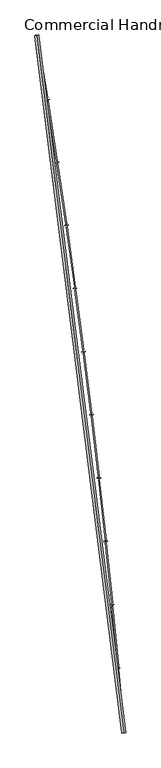
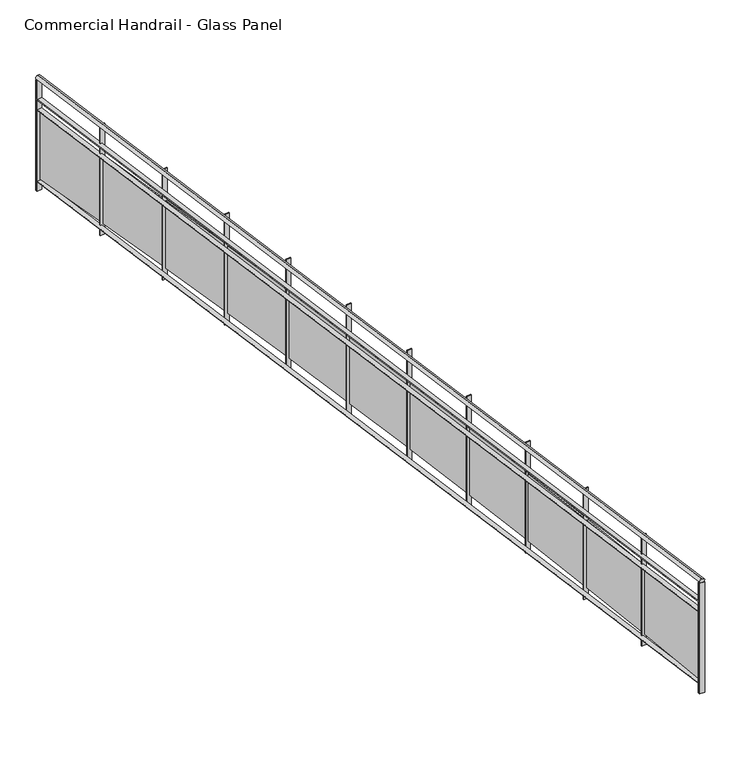
"""IFC4 building model written with IfcOpenShell, lengths in millimetres: railing geometry, Commercial Handrail - Glass Panel."""

from ifc_helpers import new_model, si_unit, point, frame, origin, place, context, project, spatial, polyline, circle_curve, ellipse_curve, trimmed, outline, extrude, source, transform, mapped, element, save
from ifc_brep_helpers import plane_surface, cylinder_surface, revolved_surface, advanced_brep


def commercial_handrail_glass_panel_10a3faca(model_context):
    return source(origin(), model_context, "Body", "SolidModel", [
        advanced_brep(
        [(155415.1518736, -49813.1101198, 29882.5), (156507.3198577, -58575.9102119, 29882.5), (156507.3198577, -58575.9102119, 29917.5), (155415.1518736, -49813.1101198, 29917.5)],
        [
            (0, 1, circle_curve(frame((49774.785812, -67429.2570352, 29882.5), z_axis=(0.0, 0.0, -1.0), x_axis=(0.9965773914870409, 0.08266500333808188, 0.0)), 107099.0923108)),
            (1, 2, ellipse_curve(frame((156507.3198577, -58575.9102119, 29900.0), z_axis=(-0.08266500333808835, 0.9965773914870406, 0.0), x_axis=(0.9965773914870404, 0.08266500333808834, 0.0)), 25.0, 17.5)),
            (2, 3, circle_curve(frame((49774.785812, -67429.2570352, 29917.5), z_axis=(0.0, 0.0, 1.0), x_axis=(0.9965773914870409, 0.08266500333808188, 0.0)), 107099.0923108)),
            (3, 0, ellipse_curve(frame((155415.1518736, -49813.1101198, 29900.0), z_axis=(0.16448455850891983, -0.9863796581500077, 0.0), x_axis=(0.9863796581500075, 0.1644845585089198, 0.0)), 25.0, 17.5)),
            (2, 1, ellipse_curve(frame((156507.3198577, -58575.9102119, 29900.0), z_axis=(-0.08266500333808835, 0.9965773914870406, 0.0), x_axis=(0.9965773914870404, 0.08266500333808834, 0.0)), 25.0, 17.5)),
            (0, 3, ellipse_curve(frame((155415.1518736, -49813.1101198, 29900.0), z_axis=(0.16448455850891983, -0.9863796581500077, 0.0), x_axis=(0.9863796581500075, 0.1644845585089198, 0.0)), 25.0, 17.5)),
        ],
        [
            revolved_surface(trimmed(ellipse_curve(frame((156507.3198577, -58575.9102119, 29900.0), z_axis=(0.08266500333808188, -0.9965773914870409, 0.0), x_axis=(0.0, 0.0, -1.0)), 17.5, 25.0), [point((156507.3198577, -58575.9102119, 29917.5))], [point((156507.3198577, -58575.9102119, 29882.5))], True, "CARTESIAN"), (49774.785812, -67429.2570352, 29900.0), (0.0, 0.0, 1.0)),
            revolved_surface(trimmed(ellipse_curve(frame((156507.3198577, -58575.9102119, 29900.0), z_axis=(0.08266500333808188, -0.9965773914870409, 0.0), x_axis=(0.0, 0.0, -1.0)), 17.5, 25.0), [point((156507.3198577, -58575.9102119, 29882.5))], [point((156507.3198577, -58575.9102119, 29917.5))], True, "CARTESIAN"), (49774.785812, -67429.2570352, 29900.0), (0.0, 0.0, 1.0)),
            plane_surface(frame((156507.3198577, -58575.9102119, 29900.0), z_axis=(0.08266500333808188, -0.9965773914870409, 0.0), x_axis=(0.9965773914870409, 0.08266500333808188, 0.0))),
            plane_surface(frame((155415.1518736, -49813.1101198, 29900.0), z_axis=(-0.16448455850891983, 0.9863796581500076, 0.0), x_axis=(0.9863796581500076, 0.16448455850891983, 0.0))),
        ],
        [
            (0, [[1, 2, 3, 4]]),
            (1, [[-3, 5, -1, 6]]),
            (2, [[-2, -5]]),
            (3, [[-6, -4]]),
        ],
    ),
        advanced_brep(
        [(155392.9583313, -49816.8110224, 29700.0), (156484.8968663, -58577.7701744, 29700.0), (156529.742849, -58574.0502493, 29700.0), (155437.3454159, -49809.4092172, 29700.0), (155392.9583313, -49816.8110224, 29694.0), (156484.8968663, -58577.7701744, 29694.0), (155437.3454159, -49809.4092172, 29694.0), (156529.742849, -58574.0502493, 29694.0)],
        [
            (0, 1, circle_curve(frame((49774.785812, -67429.2570352, 29700.0), z_axis=(0.0, 0.0, -1.0), x_axis=(0.9965773914870409, 0.08266500333808188, 0.0)), 107076.5923108)),
            (1, 2),
            (2, 3, circle_curve(frame((49774.785812, -67429.2570352, 29700.0), z_axis=(0.0, 0.0, 1.0), x_axis=(0.9965773914870409, 0.08266500333808188, 0.0)), 107121.5923108)),
            (3, 0),
            (4, 5, circle_curve(frame((49774.785812, -67429.2570352, 29694.0), z_axis=(0.0, 0.0, -1.0), x_axis=(0.9965773914870409, 0.08266500333808188, 0.0)), 107076.5923108)),
            (5, 1),
            (0, 4),
            (6, 7, circle_curve(frame((49774.785812, -67429.2570352, 29694.0), z_axis=(0.0, 0.0, -1.0), x_axis=(0.9965773914870409, 0.08266500333808188, 0.0)), 107121.5923108)),
            (7, 5),
            (4, 6),
            (2, 7),
            (6, 3),
        ],
        [
            plane_surface(frame((49774.785812, -67429.2570352, 29700.0), z_axis=(0.0, 0.0, 1.0), x_axis=(0.9965773914870409, 0.08266500333808188, 0.0))),
            revolved_surface(polyline([(156484.89686641842, -58577.77017439729, 29700.0), (156484.89686641842, -58577.77017439729, 29694.0)]), (49774.785812, -67429.2570352, 29700.0), (0.0, 0.0, 1.0)),
            plane_surface(frame((49774.785812, -67429.2570352, 29694.0), z_axis=(0.0, 0.0, -1.0), x_axis=(0.9965773914870409, 0.08266500333808188, 0.0))),
            cylinder_surface(frame((49774.785812, -67429.2570352, 29700.0), z_axis=(0.0, 0.0, 1.0), x_axis=(0.9965773914870409, 0.08266500333808188, 0.0)), 107121.5923108),
            plane_surface(frame((156507.3198577, -58575.9102119, 29700.0), z_axis=(0.08266500333808188, -0.9965773914870409, 0.0), x_axis=(0.9965773914870409, 0.08266500333808188, 0.0))),
            plane_surface(frame((155415.1518736, -49813.1101198, 29700.0), z_axis=(-0.16448455850891983, 0.9863796581500076, 0.0), x_axis=(0.9863796581500076, 0.16448455850891983, 0.0))),
        ],
        [
            (0, [[1, 2, 3, 4]]),
            (1, [[5, 6, -1, 7]]),
            (2, [[8, 9, -5, 10]]),
            (3, [[-3, 11, -8, 12]]),
            (4, [[-2, -6, -9, -11]]),
            (5, [[-12, -10, -7, -4]]),
        ],
    ),
        advanced_brep(
        [(155392.9583313, -49816.8110224, 29600.0), (156484.8968663, -58577.7701744, 29600.0), (156529.742849, -58574.0502493, 29600.0), (155437.3454159, -49809.4092172, 29600.0), (155392.9583313, -49816.8110224, 29594.0), (156484.8968663, -58577.7701744, 29594.0), (155437.3454159, -49809.4092172, 29594.0), (156529.742849, -58574.0502493, 29594.0)],
        [
            (0, 1, circle_curve(frame((49774.785812, -67429.2570352, 29600.0), z_axis=(0.0, 0.0, -1.0), x_axis=(0.9965773914870409, 0.08266500333808188, 0.0)), 107076.5923108)),
            (1, 2),
            (2, 3, circle_curve(frame((49774.785812, -67429.2570352, 29600.0), z_axis=(0.0, 0.0, 1.0), x_axis=(0.9965773914870409, 0.08266500333808188, 0.0)), 107121.5923108)),
            (3, 0),
            (4, 5, circle_curve(frame((49774.785812, -67429.2570352, 29594.0), z_axis=(0.0, 0.0, -1.0), x_axis=(0.9965773914870409, 0.08266500333808188, 0.0)), 107076.5923108)),
            (5, 1),
            (0, 4),
            (6, 7, circle_curve(frame((49774.785812, -67429.2570352, 29594.0), z_axis=(0.0, 0.0, -1.0), x_axis=(0.9965773914870409, 0.08266500333808188, 0.0)), 107121.5923108)),
            (7, 5),
            (4, 6),
            (2, 7),
            (6, 3),
        ],
        [
            plane_surface(frame((49774.785812, -67429.2570352, 29600.0), z_axis=(0.0, 0.0, 1.0), x_axis=(0.9965773914870409, 0.08266500333808188, 0.0))),
            revolved_surface(polyline([(156484.89686641842, -58577.77017439729, 29600.0), (156484.89686641842, -58577.77017439729, 29594.0)]), (49774.785812, -67429.2570352, 29600.0), (0.0, 0.0, 1.0)),
            plane_surface(frame((49774.785812, -67429.2570352, 29594.0), z_axis=(0.0, 0.0, -1.0), x_axis=(0.9965773914870409, 0.08266500333808188, 0.0))),
            cylinder_surface(frame((49774.785812, -67429.2570352, 29600.0), z_axis=(0.0, 0.0, 1.0), x_axis=(0.9965773914870409, 0.08266500333808188, 0.0)), 107121.5923108),
            plane_surface(frame((156507.3198577, -58575.9102119, 29600.0), z_axis=(0.08266500333808188, -0.9965773914870409, 0.0), x_axis=(0.9965773914870409, 0.08266500333808188, 0.0))),
            plane_surface(frame((155415.1518736, -49813.1101198, 29600.0), z_axis=(-0.16448455850891983, 0.9863796581500076, 0.0), x_axis=(0.9863796581500076, 0.16448455850891983, 0.0))),
        ],
        [
            (0, [[1, 2, 3, 4]]),
            (1, [[5, 6, -1, 7]]),
            (2, [[8, 9, -5, 10]]),
            (3, [[-3, 11, -8, 12]]),
            (4, [[-2, -6, -9, -11]]),
            (5, [[-12, -10, -7, -4]]),
        ],
    ),
        advanced_brep(
        [(155392.9583313, -49816.8110224, 28900.0), (156484.8968663, -58577.7701744, 28900.0), (156529.742849, -58574.0502493, 28900.0), (155437.3454159, -49809.4092172, 28900.0), (155392.9583313, -49816.8110224, 28894.0), (156484.8968663, -58577.7701744, 28894.0), (155437.3454159, -49809.4092172, 28894.0), (156529.742849, -58574.0502493, 28894.0)],
        [
            (0, 1, circle_curve(frame((49774.785812, -67429.2570352, 28900.0), z_axis=(0.0, 0.0, -1.0), x_axis=(0.9965773914870409, 0.08266500333808188, 0.0)), 107076.5923108)),
            (1, 2),
            (2, 3, circle_curve(frame((49774.785812, -67429.2570352, 28900.0), z_axis=(0.0, 0.0, 1.0), x_axis=(0.9965773914870409, 0.08266500333808188, 0.0)), 107121.5923108)),
            (3, 0),
            (4, 5, circle_curve(frame((49774.785812, -67429.2570352, 28894.0), z_axis=(0.0, 0.0, -1.0), x_axis=(0.9965773914870409, 0.08266500333808188, 0.0)), 107076.5923108)),
            (5, 1),
            (0, 4),
            (6, 7, circle_curve(frame((49774.785812, -67429.2570352, 28894.0), z_axis=(0.0, 0.0, -1.0), x_axis=(0.9965773914870409, 0.08266500333808188, 0.0)), 107121.5923108)),
            (7, 5),
            (4, 6),
            (2, 7),
            (6, 3),
        ],
        [
            plane_surface(frame((49774.785812, -67429.2570352, 28900.0), z_axis=(0.0, 0.0, 1.0), x_axis=(0.9965773914870409, 0.08266500333808188, 0.0))),
            revolved_surface(polyline([(156484.89686641842, -58577.77017439729, 28900.0), (156484.89686641842, -58577.77017439729, 28894.0)]), (49774.785812, -67429.2570352, 28900.0), (0.0, 0.0, 1.0)),
            plane_surface(frame((49774.785812, -67429.2570352, 28894.0), z_axis=(0.0, 0.0, -1.0), x_axis=(0.9965773914870409, 0.08266500333808188, 0.0))),
            cylinder_surface(frame((49774.785812, -67429.2570352, 28900.0), z_axis=(0.0, 0.0, 1.0), x_axis=(0.9965773914870409, 0.08266500333808188, 0.0)), 107121.5923108),
            plane_surface(frame((156507.3198577, -58575.9102119, 28900.0), z_axis=(0.08266500333808188, -0.9965773914870409, 0.0), x_axis=(0.9965773914870409, 0.08266500333808188, 0.0))),
            plane_surface(frame((155415.1518736, -49813.1101198, 28900.0), z_axis=(-0.16448455850891983, 0.9863796581500076, 0.0), x_axis=(0.9863796581500076, 0.16448455850891983, 0.0))),
        ],
        [
            (0, [[1, 2, 3, 4]]),
            (1, [[5, 6, -1, 7]]),
            (2, [[8, 9, -5, 10]]),
            (3, [[-3, 11, -8, 12]]),
            (4, [[-2, -6, -9, -11]]),
            (5, [[-12, -10, -7, -4]]),
        ],
    ),
        extrude(outline(polyline([(155440.5602167, -49828.6983042), (155396.1719887, -49836.0932495), (155395.185996, -49830.1748191), (155439.574224, -49822.7798738), (155440.5602167, -49828.6983042)])), frame((0.0, 0.0, 28800.0), z_axis=(0.0, 0.0, 1.0), x_axis=(1.0, 0.0, 0.0)), (0.0, 0.0, 1.0), 1082.1192282),
        extrude(outline(polyline([(155537.9927324, -50600.148842), (155415.9010924, -49850.0197655), (155427.7452357, -49848.0920027), (155549.8368757, -50598.2210792), (155537.9927324, -50600.148842)])), frame((0.0, 0.0, 28920.0), z_axis=(0.0, 0.0, 1.0), x_axis=(1.0, 0.0, 0.0)), (0.0, 0.0, 1.0), 660.0),
        extrude(outline(polyline([(155569.0823153, -50618.4755081), (155524.640088, -50625.5386825), (155523.6983314, -50619.6130522), (155568.1405587, -50612.5498778), (155569.0823153, -50618.4755081)])), frame((0.0, 0.0, 28800.0), z_axis=(0.0, 0.0, 1.0), x_axis=(1.0, 0.0, 0.0)), (0.0, 0.0, 1.0), 1082.1192282),
        extrude(outline(polyline([(155660.7496486, -51390.6323103), (155544.2646152, -50639.6121795), (155556.1228277, -50637.7729421), (155672.6078612, -51388.793073), (155660.7496486, -51390.6323103)])), frame((0.0, 0.0, 28920.0), z_axis=(0.0, 0.0, 1.0), x_axis=(1.0, 0.0, 0.0)), (0.0, 0.0, 1.0), 660.0),
        extrude(outline(polyline([(155691.7014704, -51409.1906934), (155647.2077235, -51415.921703), (155646.3102556, -51409.9892034), (155690.8040025, -51403.2581938), (155691.7014704, -51409.1906934)])), frame((0.0, 0.0, 28800.0), z_axis=(0.0, 0.0, 1.0), x_axis=(1.0, 0.0, 0.0)), (0.0, 0.0, 1.0), 1082.1192282),
        extrude(outline(polyline([(155777.5985065, -52182.0106766), (155666.7265791, -51430.1413956), (155678.5981993, -51428.3907863), (155789.4701268, -52180.2600673), (155777.5985065, -52182.0106766)])), frame((0.0, 0.0, 28920.0), z_axis=(0.0, 0.0, 1.0), x_axis=(1.0, 0.0, 0.0)), (0.0, 0.0, 1.0), 660.0),
        extrude(outline(polyline([(155808.4108402, -52200.7997412), (155763.8680564, -52207.1982104), (155763.0149272, -52201.2591725), (155807.557711, -52194.8607033), (155808.4108402, -52200.7997412)])), frame((0.0, 0.0, 28800.0), z_axis=(0.0, 0.0, 1.0), x_axis=(1.0, 0.0, 0.0)), (0.0, 0.0, 1.0), 1082.1192282),
        extrude(outline(polyline([(155888.5327865, -52974.2397848), (155783.2801513, -52221.5633053), (155795.1645168, -52219.9014216), (155900.4171519, -52972.5779011), (155888.5327865, -52974.2397848)])), frame((0.0, 0.0, 28920.0), z_axis=(0.0, 0.0, 1.0), x_axis=(1.0, 0.0, 0.0)), (0.0, 0.0, 1.0), 660.0),
        extrude(outline(polyline([(155919.2039129, -52993.2584824), (155874.6145774, -52999.3240542), (155873.8058345, -52993.3788094), (155918.39517, -52987.3132377), (155919.2039129, -52993.2584824)])), frame((0.0, 0.0, 28800.0), z_axis=(0.0, 0.0, 1.0), x_axis=(1.0, 0.0, 0.0)), (0.0, 0.0, 1.0), 1082.1192282),
        extrude(outline(polyline([(155993.5462987, -53767.2754312), (155893.9188285, -53013.8337498), (155905.8152761, -53012.2606845), (156005.4427463, -53765.7023659), (155993.5462987, -53767.2754312)])), frame((0.0, 0.0, 28920.0), z_axis=(0.0, 0.0, 1.0), x_axis=(1.0, 0.0, 0.0)), (0.0, 0.0, 1.0), 660.0),
        extrude(outline(polyline([(156024.0745064, -53786.5227008), (155979.4411072, -53792.2550367), (155978.6767957, -53786.3039168), (156023.3101949, -53780.5715809), (156024.0745064, -53786.5227008)])), frame((0.0, 0.0, 28800.0), z_axis=(0.0, 0.0, 1.0), x_axis=(1.0, 0.0, 0.0)), (0.0, 0.0, 1.0), 1082.1192282),
        extrude(outline(polyline([(156092.6331838, -54561.0733673), (155998.6364375, -53806.9085235), (156010.5443034, -53805.4243644), (156104.5410497, -54559.5892082), (156092.6331838, -54561.0733673)])), frame((0.0, 0.0, 28920.0), z_axis=(0.0, 0.0, 1.0), x_axis=(1.0, 0.0, 0.0)), (0.0, 0.0, 1.0), 660.0),
        extrude(outline(polyline([(156123.0167695, -54580.548135), (156078.3417969, -54585.9469151), (156077.6219596, -54579.9902521), (156122.2969321, -54574.591472), (156123.0167695, -54580.548135)])), frame((0.0, 0.0, 28800.0), z_axis=(0.0, 0.0, 1.0), x_axis=(1.0, 0.0, 0.0)), (0.0, 0.0, 1.0), 1082.1192282),
        extrude(outline(polyline([(156185.787913, -55355.5893021), (156097.4271353, -54600.7433755), (156109.3457552, -54599.3482053), (156197.7065329, -55354.194132), (156185.787913, -55355.5893021)])), frame((0.0, 0.0, 28920.0), z_axis=(0.0, 0.0, 1.0), x_axis=(1.0, 0.0, 0.0)), (0.0, 0.0, 1.0), 660.0),
        extrude(outline(polyline([(156216.0251814, -55375.2904812), (156171.3111282, -55380.3554043), (156170.6358051, -55374.3935306), (156215.3498583, -55369.3286074), (156216.0251814, -55375.2904812)])), frame((0.0, 0.0, 28800.0), z_axis=(0.0, 0.0, 1.0), x_axis=(1.0, 0.0, 0.0)), (0.0, 0.0, 1.0), 1082.1192282),
        extrude(outline(polyline([(156273.0052888, -56150.7789044), (156190.2854098, -55395.2940127), (156202.2141186, -55393.9879094), (156284.9339976, -56149.4728011), (156273.0052888, -56150.7789044)])), frame((0.0, 0.0, 28920.0), z_axis=(0.0, 0.0, 1.0), x_axis=(1.0, 0.0, 0.0)), (0.0, 0.0, 1.0), 660.0),
        extrude(outline(polyline([(156303.0945527, -56170.7053956), (156258.3439138, -56175.4361792), (156257.7131426, -56169.4694274), (156302.4637816, -56164.7386437), (156303.0945527, -56170.7053956)])), frame((0.0, 0.0, 28800.0), z_axis=(0.0, 0.0, 1.0), x_axis=(1.0, 0.0, 0.0)), (0.0, 0.0, 1.0), 1082.1192282),
        extrude(outline(polyline([(156354.2804446, -56946.5978055), (156277.2060799, -56190.5161021), (156289.144212, -56189.2991384), (156366.2185768, -56945.3808418), (156354.2804446, -56946.5978055)])), frame((0.0, 0.0, 28920.0), z_axis=(0.0, 0.0, 1.0), x_axis=(1.0, 0.0, 0.0)), (0.0, 0.0, 1.0), 660.0),
        extrude(outline(polyline([(156384.2200253, -56966.748497), (156339.4352975, -56971.1448771), (156338.8491135, -56965.17358), (156383.6338412, -56960.7771999), (156384.2200253, -56966.748497)])), frame((0.0, 0.0, 28800.0), z_axis=(0.0, 0.0, 1.0), x_axis=(1.0, 0.0, 0.0)), (0.0, 0.0, 1.0), 1082.1192282),
        extrude(outline(polyline([(156429.6088457, -57743.0016015), (156358.1842956, -56986.3652729), (156370.131185, -56985.2375169), (156441.5557351, -57741.8738454), (156429.6088457, -57743.0016015)])), frame((0.0, 0.0, 28920.0), z_axis=(0.0, 0.0, 1.0), x_axis=(1.0, 0.0, 0.0)), (0.0, 0.0, 1.0), 660.0),
        extrude(outline(polyline([(156459.3970725, -57763.3753689), (156414.5807547, -57767.4371002), (156414.0391905, -57761.4615912), (156458.8555083, -57757.3998599), (156459.3970725, -57763.3753689)])), frame((0.0, 0.0, 28800.0), z_axis=(0.0, 0.0, 1.0), x_axis=(1.0, 0.0, 0.0)), (0.0, 0.0, 1.0), 1082.1192282),
        extrude(outline(polyline([(156498.9862889, -58539.9458559), (156433.2155387, -57782.7971199), (156445.1705188, -57781.7586343), (156510.9412689, -58538.9073703), (156498.9862889, -58539.9458559)])), frame((0.0, 0.0, 28920.0), z_axis=(0.0, 0.0, 1.0), x_axis=(1.0, 0.0, 0.0)), (0.0, 0.0, 1.0), 660.0),
        extrude(outline(polyline([(156528.6214998, -58560.5415625), (156483.7760926, -58564.2684183), (156483.2791785, -58558.2890307), (156528.1245856, -58554.5621749), (156528.6214998, -58560.5415625)])), frame((0.0, 0.0, 28800.0), z_axis=(0.0, 0.0, 1.0), x_axis=(1.0, 0.0, 0.0)), (0.0, 0.0, 1.0), 1082.1192282),
        extrude(outline(polyline([(155437.8388696, -49812.3683562), (155393.451785, -49819.7701613), (155392.4648776, -49813.8518834), (155436.8519623, -49806.4500783), (155437.8388696, -49812.3683562)])), frame((0.0, 0.0, 28800.0), z_axis=(0.0, 0.0, 1.0), x_axis=(1.0, 0.0, 0.0)), (0.0, 0.0, 1.0), 1082.1192282),
        extrude(outline(polyline([(156529.990844, -58577.0399815), (156485.1448614, -58580.7599066), (156484.6488713, -58574.7804423), (156529.494854, -58571.0605171), (156529.990844, -58577.0399815)])), frame((0.0, 0.0, 28800.0), z_axis=(0.0, 0.0, 1.0), x_axis=(1.0, 0.0, 0.0)), (0.0, 0.0, 1.0), 1082.1192282),
    ])


if __name__ == "__main__":
    model = new_model("IFC4")
    model_context = context("Model", 3, world=origin())
    ifc_project = project(units=[si_unit("LENGTHUNIT", "METRE", prefix="MILLI")], contexts=[model_context])
    site = spatial("IfcSite", under=ifc_project)
    building = spatial("IfcBuilding", under=site)
    placement = place(None, origin())
    commercial_handrail_glass_panel_shape = commercial_handrail_glass_panel_10a3faca(model_context)
    element("IfcRailing", 1, ObjectType="Commercial Handrail - Glass Panel", at=placement, inside=building, context=model_context, shape_type="MappedRepresentation", body=[
        mapped(commercial_handrail_glass_panel_shape, transform((0.0, 0.0, 0.0), x_axis=(1.0, 0.0, 0.0), y_axis=(0.0, 1.0, 0.0), z_axis=(0.0, 0.0, 1.0))),
    ])
    save(model, "model.ifc")
